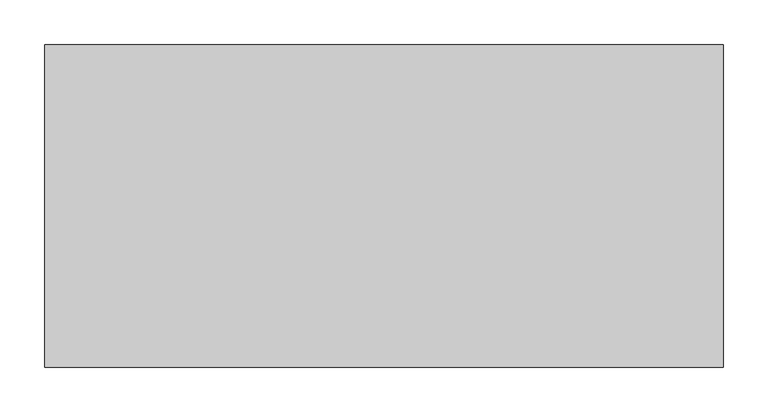
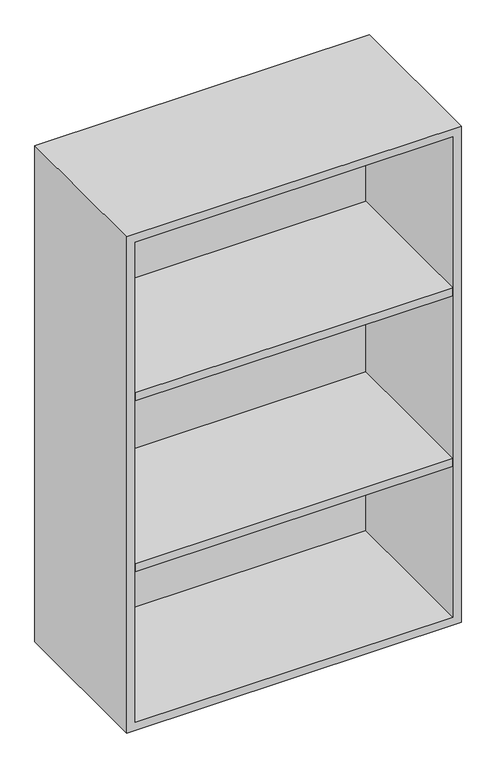
"""IFC4 building model written with IfcOpenShell, lengths in millimetres: furniture geometry."""

from ifc_helpers import new_model, si_unit, frame, origin, place, context, project, spatial, polyline, outline, extrude, source, transform, mapped, element, save


def furniture_3206a129(model_context):
    return source(origin(), model_context, "Body", "SweptSolid", [
        extrude(outline(polyline([(361.9569453, 161.925), (361.9569453, -180.975), (-361.9291641, -180.975), (-361.9291641, 161.925), (361.9569453, 161.925)])), frame((0.0, 0.0, 1529.2916667), z_axis=(0.0, 0.0, 1.0), x_axis=(1.0, 0.0, 0.0)), (0.0, 0.0, 1.0), 19.05),
        extrude(outline(polyline([(361.9569453, 161.925), (361.9569453, -180.975), (-361.9291641, -180.975), (-361.9291641, 161.925), (361.9569453, 161.925)])), frame((0.0, 0.0, 1118.6583333), z_axis=(0.0, 0.0, 1.0), x_axis=(1.0, 0.0, 0.0)), (0.0, 0.0, 1.0), 19.05),
        extrude(outline(polyline([(736.6, -380.9861094), (736.6, 381.0138906), (1930.4, 381.0138906), (1930.4, -380.9861094), (736.6, -380.9861094)]), holes=[polyline([(755.65, -361.9361094), (1911.35, -361.9361094), (1911.35, 361.9569453), (755.65, 361.9569453), (755.65, -361.9361094)])]), frame((0.0, -180.975, 0.0), z_axis=(0.0, 1.0, 0.0), x_axis=(0.0, 0.0, 1.0)), (0.0, 0.0, 1.0), 361.95),
        extrude(outline(polyline([(-361.9291641, 161.925), (-361.9291641, 180.975), (361.9569453, 180.975), (361.9569453, 161.925), (-361.9291641, 161.925)])), frame((0.0, 0.0, 755.65), z_axis=(0.0, 0.0, 1.0), x_axis=(1.0, 0.0, 0.0)), (0.0, 0.0, 1.0), 1155.7),
    ])


if __name__ == "__main__":
    model = new_model("IFC4")
    model_context = context("Model", 3, world=origin())
    ifc_project = project(units=[si_unit("LENGTHUNIT", "METRE", prefix="MILLI")], contexts=[model_context])
    site = spatial("IfcSite", under=ifc_project)
    building = spatial("IfcBuilding", under=site)
    placement = place(None, origin())
    furniture_shape = furniture_3206a129(model_context)
    element("IfcFurniture", 1, at=placement, inside=building, context=model_context, shape_type="MappedRepresentation", body=[
        mapped(furniture_shape, transform((0.0, 0.0, 0.0), x_axis=(1.0, 0.0, 0.0), y_axis=(0.0, 1.0, 0.0), z_axis=(0.0, 0.0, 1.0))),
    ])
    save(model, "model.ifc")
